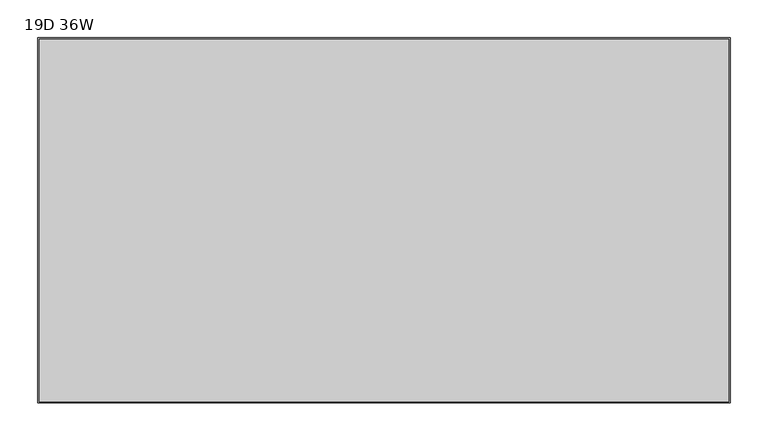
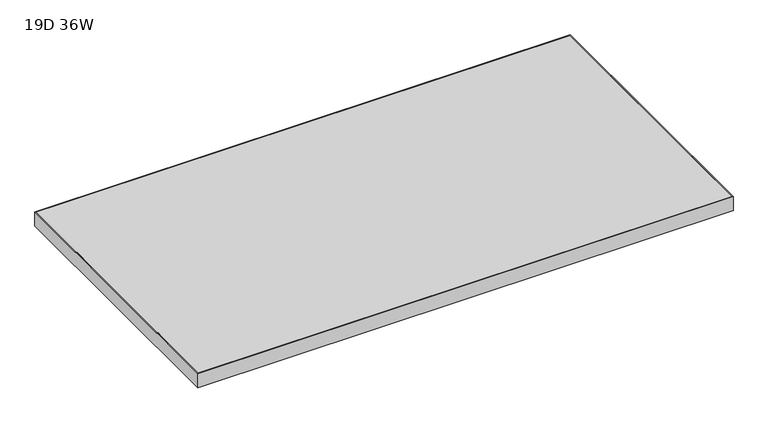
"""IFC4 building model written with IfcOpenShell, lengths in millimetres: furniture geometry, 19D 36W."""

import ifcopenshell
import ifcopenshell.guid

model = None  # the IFC model being written
_history = None  # IfcOwnerHistory: only IFC2X3 demands one
_inside = {}  # id of a spatial element -> (the spatial element, [elements in it])
_under = {}  # id of a project, library or spatial element -> (it, [spatial elements below it])
_declared = {}  # id of a project -> (the project, [libraries it declares])
_typed = {}  # id of a type object -> (the type object, [elements of that type])
_made_of = {}  # id of a material, layer set ... -> (it, [elements and type objects made of it])


def new_model(schema):
    """Start an empty IFC model of exactly this schema.

    Asked for "IFC4X3", IfcOpenShell would pick the latest addendum, in which some entities
    have other attributes; the version numbers below select the first issue.
    IFC2X3 requires an IfcOwnerHistory on every rooted entity: one is made here for all.
    """
    global model, _history
    if schema == "IFC4X3":
        model = ifcopenshell.file(schema_version=(4, 3, 0, 0))
    else:
        model = ifcopenshell.file(schema=schema)
    _inside.clear()
    _under.clear()
    _declared.clear()
    _typed.clear()
    _made_of.clear()
    _history = None
    if model.schema == "IFC2X3":
        org = make("IfcOrganization", Name="unknown")
        user = make(
            "IfcPersonAndOrganization",
            ThePerson=make("IfcPerson", FamilyName="unknown"),
            TheOrganization=org,
        )
        app = make(
            "IfcApplication",
            ApplicationDeveloper=org,
            Version="unknown",
            ApplicationFullName="unknown",
            ApplicationIdentifier="unknown",
        )
        _history = make(
            "IfcOwnerHistory",
            OwningUser=user,
            OwningApplication=app,
            ChangeAction="ADDED",
            CreationDate=0,
        )
    return model


def make(cls, **values):
    """One entity of the class cls with the attributes given. An attribute that is None is left unset."""
    return model.create_entity(
        cls, **{name: value for name, value in values.items() if value is not None}
    )


def rooted(cls, **values):
    """An entity with a GlobalId (a new one), such as an element, a storey or a relation."""
    return make(cls, GlobalId=ifcopenshell.guid.new(), OwnerHistory=_history, **values)


def si_unit(unit_type, name, prefix=None):
    """IfcSIUnit, for example si_unit("LENGTHUNIT", "METRE", prefix="MILLI")."""
    return make("IfcSIUnit", UnitType=unit_type, Prefix=prefix, Name=name)


def assignment(units):
    """IfcUnitAssignment: the units of a project."""
    return None if units is None else make("IfcUnitAssignment", Units=units)


def point(xyz):
    """IfcCartesianPoint."""
    return None if xyz is None else make("IfcCartesianPoint", Coordinates=xyz)


def direction(xyz):
    """IfcDirection."""
    return None if xyz is None else make("IfcDirection", DirectionRatios=xyz)


def frame(location, z_axis=None, x_axis=None):
    """IfcAxis2Placement3D, a coordinate frame: its origin and axes. An axis left out is left unset."""
    return make(
        "IfcAxis2Placement3D",
        Location=point(location),
        Axis=direction(z_axis),
        RefDirection=direction(x_axis),
    )


def origin():
    """The frame at (0, 0, 0) with its axes left unset."""
    return frame((0.0, 0.0, 0.0))


def place(relative_to, where):
    """IfcLocalPlacement: puts the frame where relative to a parent placement (None: the world)."""
    return make(
        "IfcLocalPlacement", PlacementRelTo=relative_to, RelativePlacement=where
    )


def context(
    kind, dimensions, precision=None, world=None, true_north=None, identifier=None
):
    """IfcGeometricRepresentationContext, for example the 3D "Model" context."""
    return make(
        "IfcGeometricRepresentationContext",
        ContextIdentifier=identifier,
        ContextType=kind,
        CoordinateSpaceDimension=dimensions,
        Precision=precision,
        WorldCoordinateSystem=world,
        TrueNorth=true_north,
    )


def project(units=None, contexts=None):
    """IfcProject with its units and contexts."""
    return rooted(
        "IfcProject",
        Name="project",
        RepresentationContexts=contexts,
        UnitsInContext=assignment(units),
    )


def spatial(cls, under=None, at=None, **own):
    """A site, building, storey or space (cls), placed at a placement, below another one or the project."""
    s = rooted(cls, ObjectPlacement=at, **own)
    if under is not None:
        _under.setdefault(under.id(), (under, []))[1].append(s)
    return s


def polyline(points):
    """IfcPolyline through the points."""
    return make("IfcPolyline", Points=[point(p) for p in points])


def outline(outer, holes=None, kind="AREA"):
    """IfcArbitraryClosedProfileDef: a profile drawn as a closed curve; with holes, ...WithVoids."""
    if holes is None:
        return make("IfcArbitraryClosedProfileDef", ProfileType=kind, OuterCurve=outer)
    return make(
        "IfcArbitraryProfileDefWithVoids",
        ProfileType=kind,
        OuterCurve=outer,
        InnerCurves=holes,
    )


def extrude(swept, where, along, depth):
    """IfcExtrudedAreaSolid: the profile swept, set in the frame where, extruded along a direction by depth."""
    return make(
        "IfcExtrudedAreaSolid",
        SweptArea=swept,
        Position=where,
        ExtrudedDirection=direction(along),
        Depth=depth,
    )


def shape(context_of_items, identifier, shape_type, items):
    """IfcShapeRepresentation: the items that make up one representation, for example the "Body"."""
    return make(
        "IfcShapeRepresentation",
        ContextOfItems=context_of_items,
        RepresentationIdentifier=identifier,
        RepresentationType=shape_type,
        Items=items,
    )


def source(mapping_origin, context_of_items, identifier, shape_type, items):
    """IfcRepresentationMap: a shape defined once, which mapped items show again and again."""
    return make(
        "IfcRepresentationMap",
        MappingOrigin=mapping_origin,
        MappedRepresentation=shape(context_of_items, identifier, shape_type, items),
    )


def transform(
    local_origin,
    x_axis=None,
    y_axis=None,
    z_axis=None,
    scale=None,
    scale2=None,
    scale3=None,
    uniform=True,
):
    """IfcCartesianTransformationOperator3D, or its non-uniform kind. x_axis, y_axis, z_axis: its Axis1, 2, 3."""
    if uniform:
        return make(
            "IfcCartesianTransformationOperator3D",
            Axis1=direction(x_axis),
            Axis2=direction(y_axis),
            LocalOrigin=point(local_origin),
            Scale=scale,
            Axis3=direction(z_axis),
        )
    return make(
        "IfcCartesianTransformationOperator3DnonUniform",
        Axis1=direction(x_axis),
        Axis2=direction(y_axis),
        LocalOrigin=point(local_origin),
        Scale=scale,
        Axis3=direction(z_axis),
        Scale2=scale2,
        Scale3=scale3,
    )


def mapped(mapping_source, mapping_target):
    """IfcMappedItem: shows the shape of a source again, moved by a transform."""
    return make(
        "IfcMappedItem", MappingSource=mapping_source, MappingTarget=mapping_target
    )


def made_of(thing, what):
    """Note that an element or type object is made of a material, layer set ...; save() writes the relation."""
    if what is not None:
        _made_of.setdefault(what.id(), (what, []))[1].append(thing)
    return thing


def element(
    cls,
    number,
    at=None,
    inside=None,
    cuts=None,
    type_object=None,
    material=None,
    context=None,
    identifier="Body",
    shape_type=None,
    held_by="IfcProductDefinitionShape",
    body=None,
    shapes=None,
    **own,
):
    """One element of the class cls, such as IfcWall. Its Tag is "e" and its number.

    at: its placement. inside: the storey or other place that contains it. cuts: it is an
    opening in that element (IfcRelVoidsElement). A single representation is given by context,
    identifier, shape_type and body (its items); several are given by shapes. held_by: the class
    of the entity that holds the representations. save() writes the other relations.
    """
    e = rooted(cls, Tag="e%d" % number, ObjectPlacement=at, **own)
    if body is not None:
        shapes = [shape(context, identifier, shape_type, body)]
    if shapes is not None:
        e.Representation = make(held_by, Representations=shapes)
    if inside is not None:
        _inside.setdefault(inside.id(), (inside, []))[1].append(e)
    if cuts is not None:
        rooted(
            "IfcRelVoidsElement", RelatingBuildingElement=cuts, RelatedOpeningElement=e
        )
    if type_object is not None:
        _typed.setdefault(type_object.id(), (type_object, []))[1].append(e)
    return made_of(e, material)


def aggregate(whole, parts):
    """IfcRelAggregates: a whole, such as a stair, and the parts it consists of."""
    return rooted("IfcRelAggregates", RelatingObject=whole, RelatedObjects=parts)


def save(model, path):
    """Write the relations noted so far, then the file.

    IfcRelAggregates (storeys below a building ...), IfcRelContainedInSpatialStructure (elements
    in a storey), IfcRelDefinesByType, IfcRelAssociatesMaterial and IfcRelDeclares: one each for
    every whole, place, type object, material and project.
    """
    for whole, parts in _under.values():
        aggregate(whole, parts)
    for where, things in _inside.values():
        rooted(
            "IfcRelContainedInSpatialStructure",
            RelatedElements=things,
            RelatingStructure=where,
        )
    for kind, things in _typed.values():
        rooted("IfcRelDefinesByType", RelatedObjects=things, RelatingType=kind)
    for what, things in _made_of.values():
        rooted("IfcRelAssociatesMaterial", RelatedObjects=things, RelatingMaterial=what)
    for by, libraries in _declared.values():
        rooted("IfcRelDeclares", RelatingContext=by, RelatedDefinitions=libraries)
    model.write(path)


def furniture_19d_36w_1e9c2874(model_context):
    return source(origin(), model_context, "Body", "SweptSolid", [
        extrude(outline(polyline([(912.8125, -1.5875), (912.8125, -481.0125), (1.5875, -481.0125), (1.5875, -1.5875), (912.8125, -1.5875)])), frame((0.0, 0.0, 889.0), z_axis=(0.0, 0.0, 1.0), x_axis=(1.0, 0.0, 0.0)), (0.0, 0.0, 1.0), 25.4),
        extrude(outline(polyline([(0.0, 0.0), (914.4, 0.0), (914.4, -482.6), (0.0, -482.6), (0.0, 0.0)]), holes=[polyline([(1.5875, -481.0125), (912.8125, -481.0125), (912.8125, -1.5875), (1.5875, -1.5875), (1.5875, -481.0125)])]), frame((0.0, 0.0, 889.0), z_axis=(0.0, 0.0, 1.0), x_axis=(1.0, 0.0, 0.0)), (0.0, 0.0, 1.0), 25.4),
    ])


if __name__ == "__main__":
    model = new_model("IFC4")
    model_context = context("Model", 3, world=origin())
    ifc_project = project(units=[si_unit("LENGTHUNIT", "METRE", prefix="MILLI")], contexts=[model_context])
    site = spatial("IfcSite", under=ifc_project)
    building = spatial("IfcBuilding", under=site)
    placement = place(None, origin())
    furniture_19d_36w_shape = furniture_19d_36w_1e9c2874(model_context)
    element("IfcFurniture", 1, ObjectType="19D 36W", at=placement, inside=building, context=model_context, shape_type="MappedRepresentation", body=[
        mapped(furniture_19d_36w_shape, transform((0.0, 0.0, 0.0), x_axis=(1.0, 0.0, 0.0), y_axis=(0.0, 1.0, 0.0), z_axis=(0.0, 0.0, 1.0))),
    ])
    save(model, "model.ifc")
